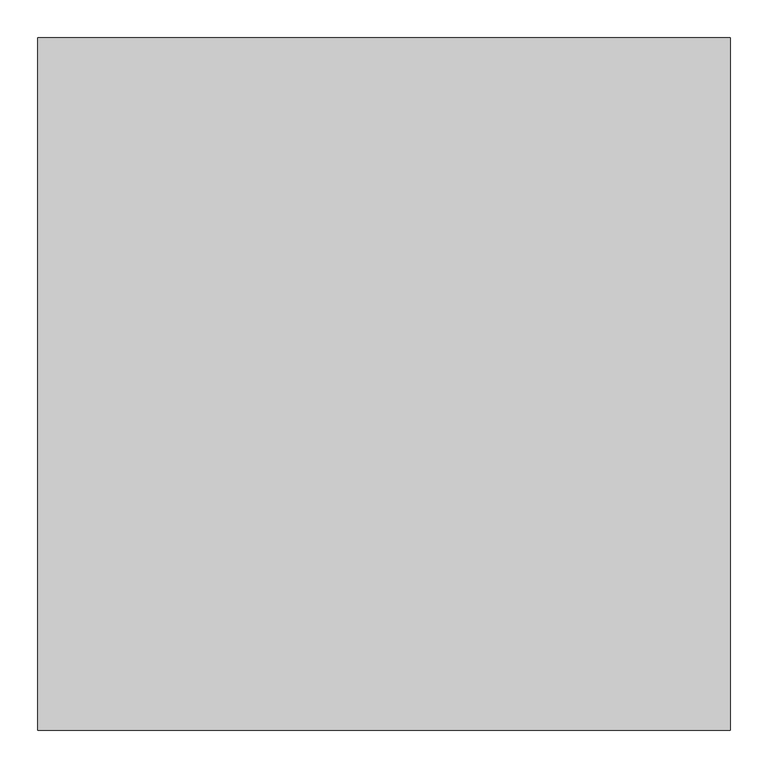
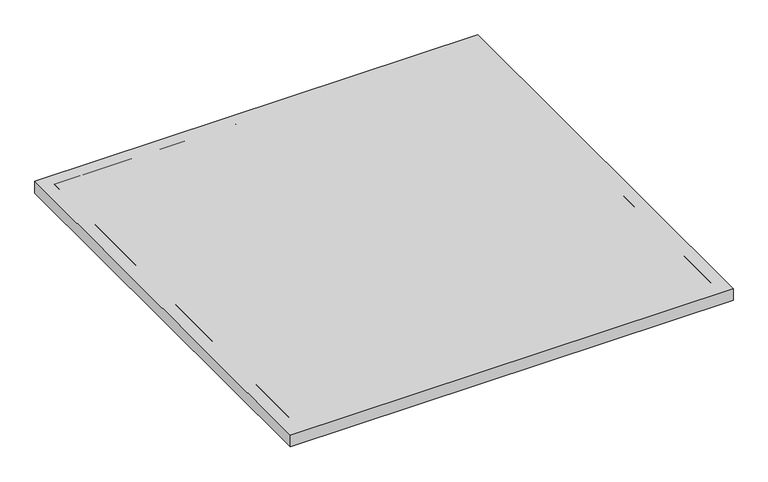
"""IFC4 building model written with IfcOpenShell, lengths in millimetres: proxy geometry."""

from ifc_helpers import new_model, si_unit, frame, origin, origin_with_axes, place, context, project, spatial, polyline, outline, extrude, faceted_brep, source, transform, mapped, element, save


def specialty_equipment_bddeeae3(model_context):
    return source(origin(), model_context, "Body", "SolidModel", [
        extrude(outline(polyline([(457.2, -914.4), (-457.2, -914.4), (-457.2, 0.0), (457.2, 0.0), (457.2, -914.4)])), origin_with_axes(), (0.0, 0.0, 1.0), 25.4),
        extrude(outline(polyline([(431.8, -889.0), (-431.8, -889.0), (-431.8, -25.4), (431.8, -25.4), (431.8, -889.0)])), frame((0.0, 0.0, 12.7), z_axis=(0.0, 0.0, 1.0), x_axis=(1.0, 0.0, 0.0)), (0.0, 0.0, 1.0), 12.7),
        faceted_brep([(457.2, -914.4, 25.4), (-457.2, -914.4, 25.4), (-457.2, -914.4, 0.0), (457.2, -914.4, 0.0), (457.2, 0.0, 25.4), (457.2, 0.0, 0.0), (-457.2, 0.0, 0.0), (-457.2, 0.0, 25.4), (431.8, -889.0, 25.4), (-431.8, -889.0, 25.4), (-431.8, -25.4, 25.4), (431.8, -25.4, 25.4), (431.8, -889.0, 12.7), (-431.8, -889.0, 12.7), (-431.8, -25.4, 12.7), (431.8, -25.4, 12.7)], [[[0, 1, 2, 3]], [[4, 5, 6, 7]], [[1, 0, 4, 7], [8, 9, 10, 11]], [[2, 1, 7, 6]], [[3, 2, 6, 5]], [[0, 3, 5, 4]], [[8, 12, 13, 9]], [[10, 14, 15, 11]], [[9, 13, 14, 10]], [[13, 12, 15, 14]], [[12, 8, 11, 15]]]),
    ])


if __name__ == "__main__":
    model = new_model("IFC4")
    model_context = context("Model", 3, world=origin())
    ifc_project = project(units=[si_unit("LENGTHUNIT", "METRE", prefix="MILLI")], contexts=[model_context])
    site = spatial("IfcSite", under=ifc_project)
    building = spatial("IfcBuilding", under=site)
    placement = place(None, origin())
    specialty_equipment_shape = specialty_equipment_bddeeae3(model_context)
    element("IfcBuildingElementProxy", 1, Name="Specialty Equipment", at=placement, inside=building, context=model_context, shape_type="MappedRepresentation", body=[
        mapped(specialty_equipment_shape, transform((0.0, 0.0, 0.0), x_axis=(1.0, 0.0, 0.0), y_axis=(0.0, 1.0, 0.0), z_axis=(0.0, 0.0, 1.0))),
    ])
    save(model, "model.ifc")
